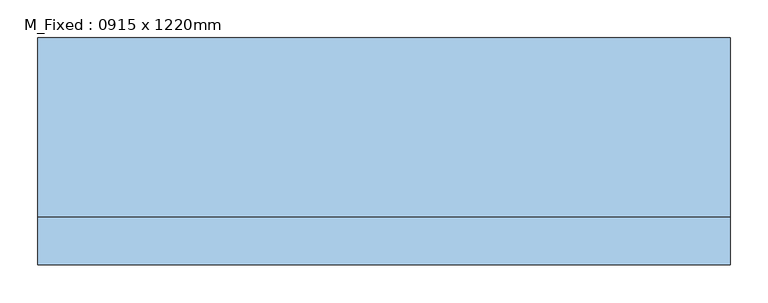
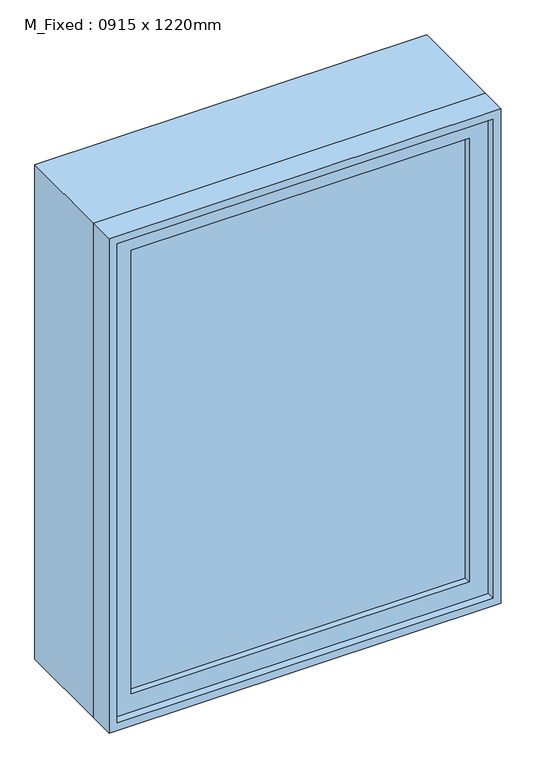
"""IFC4 building model written with IfcOpenShell, lengths in millimetres: window geometry, M_Fixed : 0915 x 1220mm."""

from ifc_helpers import new_model, si_unit, frame, origin, place, context, project, spatial, polyline, outline, extrude, source, transform, mapped, element, save


def m_fixed_0915_x_1220mm_22ef7410(model_context):
    return source(origin(), model_context, "Body", "SweptSolid", [
        extrude(outline(polyline([(-394.5, -128.0), (-394.5, -116.0), (394.5, -116.0), (394.5, -128.0), (-394.5, -128.0)])), frame((0.0, 0.0, 978.0), z_axis=(0.0, 0.0, 1.0), x_axis=(1.0, 0.0, 0.0)), (0.0, 0.0, 1.0), 1094.0),
        extrude(outline(polyline([(2116.0, -438.5), (934.0, -438.5), (934.0, 438.5), (2116.0, 438.5), (2116.0, -438.5)]), holes=[polyline([(2072.0, -394.5), (2072.0, 394.5), (978.0, 394.5), (978.0, -394.5), (2072.0, -394.5)])]), frame((0.0, -144.0, 0.0), z_axis=(0.0, 1.0, 0.0), x_axis=(0.0, 0.0, 1.0)), (0.0, 0.0, 1.0), 44.0),
        extrude(outline(polyline([(2135.0, -457.5), (915.0, -457.5), (915.0, 457.5), (2135.0, 457.5), (2135.0, -457.5)]), holes=[polyline([(2116.0, -438.5), (2116.0, 438.5), (934.0, 438.5), (934.0, -438.5), (2116.0, -438.5)])]), frame((0.0, -163.0, 0.0), z_axis=(0.0, 1.0, 0.0), x_axis=(0.0, 0.0, 1.0)), (0.0, 0.0, 1.0), 63.0),
        extrude(outline(polyline([(2135.0, -457.5), (915.0, -457.5), (915.0, 457.5), (2135.0, 457.5), (2135.0, -457.5)]), holes=[polyline([(2103.0, -425.5), (2103.0, 425.5), (947.0, 425.5), (947.0, -425.5), (2103.0, -425.5)])]), frame((0.0, -100.0, 0.0), z_axis=(0.0, 1.0, 0.0), x_axis=(0.0, 0.0, 1.0)), (0.0, 0.0, 1.0), 237.0),
    ])


if __name__ == "__main__":
    model = new_model("IFC4")
    model_context = context("Model", 3, world=origin())
    ifc_project = project(units=[si_unit("LENGTHUNIT", "METRE", prefix="MILLI")], contexts=[model_context])
    site = spatial("IfcSite", under=ifc_project)
    building = spatial("IfcBuilding", under=site)
    placement = place(None, origin())
    m_fixed_0915_x_1220mm_shape = m_fixed_0915_x_1220mm_22ef7410(model_context)
    element("IfcWindow", 1, ObjectType="M_Fixed : 0915 x 1220mm", at=placement, inside=building, context=model_context, shape_type="MappedRepresentation", body=[
        mapped(m_fixed_0915_x_1220mm_shape, transform((0.0, 0.0, 0.0), x_axis=(1.0, 0.0, 0.0), y_axis=(0.0, 1.0, 0.0), z_axis=(0.0, 0.0, 1.0))),
    ])
    save(model, "model.ifc")
